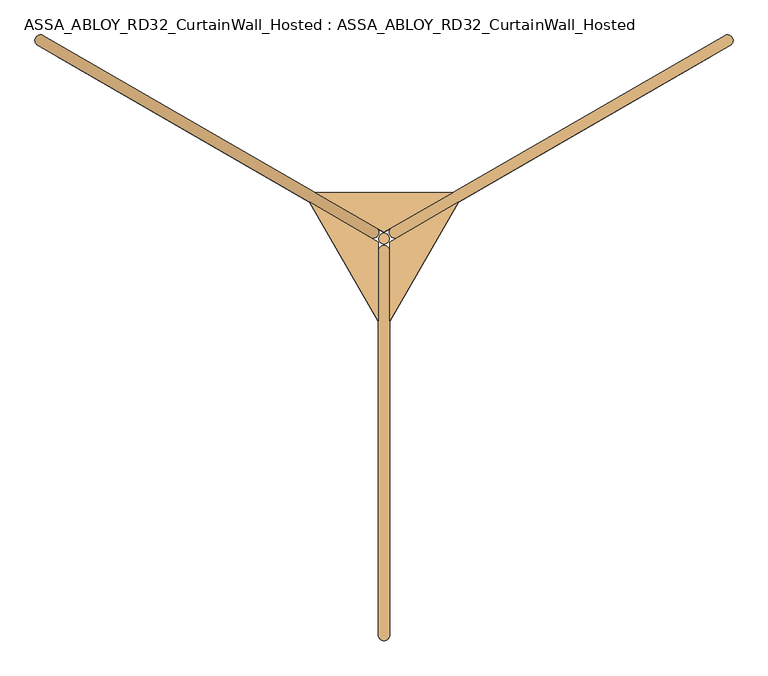
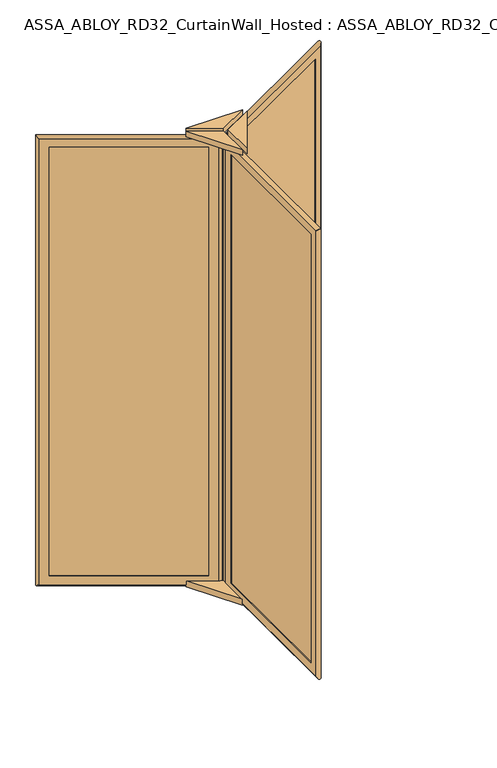
"""IFC4 building model written with IfcOpenShell, lengths in millimetres: door geometry, ASSA_ABLOY_RD32_CurtainWall_Hosted : ASSA_ABLOY_RD32_CurtainWall_Hosted."""

from ifc_helpers import new_model, si_unit, point, frame, origin, origin_with_axes, origin_2d, place, context, project, spatial, polyline, circle_curve, ellipse_curve, trimmed, segment, composite_curve, outline, extrude, source, transform, mapped, element, save
from ifc_brep_helpers import plane_surface, cylinder_surface, advanced_brep


def assa_abloy_rd32_curtainwall_hosted_assa_abloy_rd32_621d37b6(model_context):
    return source(origin(), model_context, "Body", "SolidModel", [
        advanced_brep(
        [(756.0172302, 424.939746, 105.0), (757.5172302, 422.3416698, 105.0), (757.5172302, 422.3416698, 2679.0), (756.0172302, 424.939746, 2679.0), (763.3377382, 452.260254, 85.0), (773.3377382, 434.939746, 85.0), (773.3377382, 434.939746, 2699.0), (763.3377382, 452.260254, 2699.0), (744.5172302, 444.8583302, 105.0), (746.0172302, 442.260254, 105.0), (746.0172302, 442.260254, 2679.0), (744.5172302, 444.8583302, 2679.0), (802.5505512, 448.3416698, 53.0), (789.5505512, 470.8583302, 53.0), (789.5505512, 470.8583302, 2731.0), (802.5505512, 448.3416698, 2731.0), (76.6480577, 29.2416698, 2679.0), (75.1480577, 31.839746, 2679.0), (57.8275496, 21.839746, 2699.0), (47.8275496, 39.160254, 2699.0), (65.1480577, 49.160254, 2679.0), (63.6480577, 51.7583302, 2679.0), (18.6147367, 25.7583302, 2731.0), (31.6147367, 3.2416698, 2731.0), (76.6480577, 29.2416698, 105.0), (75.1480577, 31.839746, 105.0), (57.8275496, 21.839746, 85.0), (47.8275496, 39.160254, 85.0), (65.1480577, 49.160254, 105.0), (63.6480577, 51.7583302, 105.0), (18.6147367, 25.7583302, 53.0), (31.6147367, 3.2416698, 53.0)],
        [
            (0, 1),
            (1, 2),
            (2, 3),
            (3, 0),
            (4, 5),
            (5, 6),
            (6, 7),
            (7, 4),
            (8, 9),
            (9, 10),
            (10, 11),
            (11, 8),
            (12, 13, ellipse_curve(frame((796.0505512, 459.6, 53.0), z_axis=(0.6123724356958007, 0.35355339059326285, 0.7071067811865475), x_axis=(0.6123724356957908, 0.3535533905932797, -0.7071067811865477)), 18.3847763, 13.0)),
            (13, 14),
            (14, 15, ellipse_curve(frame((796.0505512, 459.6, 2731.0), z_axis=(0.612372435695791, 0.3535533905932798, -0.7071067811865475), x_axis=(-0.6123724356958007, -0.3535533905932628, -0.7071067811865476)), 18.3847763, 13.0)),
            (15, 12),
            (2, 16),
            (16, 17),
            (17, 3),
            (6, 18),
            (18, 19),
            (19, 7),
            (10, 20),
            (20, 21),
            (21, 11),
            (14, 22),
            (22, 23, ellipse_curve(frame((25.1147367, 14.5, 2731.0), z_axis=(0.6123724356958007, 0.35355339059326285, 0.7071067811865475), x_axis=(0.6123724356957913, 0.35355339059327995, -0.7071067811865472)), 18.3847763, 13.0)),
            (23, 15),
            (16, 24),
            (24, 25),
            (25, 17),
            (18, 26),
            (26, 27),
            (27, 19),
            (20, 28),
            (28, 29),
            (29, 21),
            (22, 30),
            (30, 31, ellipse_curve(frame((25.1147367, 14.5, 53.0), z_axis=(-0.612372435695791, -0.3535533905932798, 0.7071067811865475), x_axis=(0.6123724356958007, 0.3535533905932628, 0.7071067811865476)), 18.3847763, 13.0)),
            (31, 23),
            (24, 1),
            (0, 25),
            (5, 26),
            (4, 27),
            (9, 28),
            (8, 29),
            (13, 30),
            (12, 31),
        ],
        [
            plane_surface(frame((757.5172302, 422.3416698, 105.0), z_axis=(-0.8660254037844419, -0.49999999999999445, 0.0), x_axis=(0.0, 0.0, 1.0))),
            plane_surface(frame((773.3377382, 434.939746, 85.0), z_axis=(-0.8660254037844408, -0.4999999999999964, 0.0), x_axis=(0.0, 0.0, 1.0))),
            plane_surface(frame((746.0172302, 442.260254, 105.0), z_axis=(-0.8660254037844419, -0.49999999999999445, 0.0), x_axis=(0.0, 0.0, 1.0))),
            cylinder_surface(frame((796.0505512, 459.6, 40.0), z_axis=(0.0, 0.0, -1.0), x_axis=(-0.8660254037844406, -0.4999999999999966, 0.0)), 13.0),
            plane_surface(frame((757.5172302, 422.3416698, 2679.0), z_axis=(0.0, 0.0, -1.0), x_axis=(-0.8660254037844406, -0.4999999999999966, 0.0))),
            plane_surface(frame((773.3377382, 434.939746, 2699.0), z_axis=(0.0, 0.0, -1.0), x_axis=(-0.8660254037844406, -0.4999999999999966, 0.0))),
            plane_surface(frame((746.0172302, 442.260254, 2679.0), z_axis=(0.0, 0.0, -1.0), x_axis=(-0.8660254037844406, -0.4999999999999966, 0.0))),
            cylinder_surface(frame((807.3088814, 466.1, 2731.0), z_axis=(0.8660254037844406, 0.4999999999999966, 0.0), x_axis=(0.0, 0.0, -1.0)), 13.0),
            plane_surface(frame((76.6480577, 29.2416698, 2679.0), z_axis=(0.8660254037844394, 0.49999999999999883, 0.0), x_axis=(0.0, 0.0, -1.0))),
            plane_surface(frame((57.8275496, 21.839746, 2699.0), z_axis=(0.8660254037844405, 0.4999999999999969, 0.0), x_axis=(0.0, 0.0, -1.0))),
            plane_surface(frame((65.1480577, 49.160254, 2679.0), z_axis=(0.8660254037844394, 0.49999999999999883, 0.0), x_axis=(0.0, 0.0, -1.0))),
            cylinder_surface(frame((25.1147367, 14.5, 2744.0), z_axis=(0.0, 0.0, 1.0), x_axis=(0.8660254037844406, 0.4999999999999966, 0.0)), 13.0),
            plane_surface(frame((76.6480577, 29.2416698, 105.0), z_axis=(0.0, 0.0, 1.0), x_axis=(0.8660254037844406, 0.4999999999999966, 0.0))),
            plane_surface(frame((75.1480577, 31.839746, 105.0), z_axis=(-0.4999999999999966, 0.8660254037844406, 0.0), x_axis=(0.8660254037844406, 0.4999999999999966, 0.0))),
            plane_surface(frame((57.8275496, 21.839746, 85.0), z_axis=(0.0, 0.0, 1.0), x_axis=(0.8660254037844406, 0.4999999999999966, 0.0))),
            plane_surface(frame((47.8275496, 39.160254, 85.0), z_axis=(0.4999999999999966, -0.8660254037844406, 0.0), x_axis=(0.8660254037844406, 0.4999999999999966, 0.0))),
            plane_surface(frame((65.1480577, 49.160254, 105.0), z_axis=(0.0, 0.0, 1.0), x_axis=(0.8660254037844406, 0.4999999999999966, 0.0))),
            plane_surface(frame((63.6480577, 51.7583302, 105.0), z_axis=(-0.4999999999999966, 0.8660254037844406, 0.0), x_axis=(0.8660254037844406, 0.4999999999999966, 0.0))),
            cylinder_surface(frame((13.8564065, 8.0, 53.0), z_axis=(-0.8660254037844406, -0.4999999999999966, 0.0), x_axis=(0.0, 0.0, 1.0)), 13.0),
            plane_surface(frame((31.6147367, 3.2416698, 53.0), z_axis=(0.4999999999999966, -0.8660254037844406, 0.0), x_axis=(0.8660254037844406, 0.4999999999999966, 0.0))),
        ],
        [
            (0, [[1, 2, 3, 4]]),
            (1, [[5, 6, 7, 8]]),
            (2, [[9, 10, 11, 12]]),
            (3, [[13, 14, 15, 16]]),
            (4, [[-3, 17, 18, 19]]),
            (5, [[-7, 20, 21, 22]]),
            (6, [[-11, 23, 24, 25]]),
            (7, [[-15, 26, 27, 28]]),
            (8, [[-18, 29, 30, 31]]),
            (9, [[-21, 32, 33, 34]]),
            (10, [[-24, 35, 36, 37]]),
            (11, [[-27, 38, 39, 40]]),
            (12, [[-30, 41, -1, 42]]),
            (13, [[43, -32, -20, -6], [-19, -31, -42, -4]]),
            (14, [[-33, -43, -5, 44]]),
            (15, [[-22, -34, -44, -8], [45, -35, -23, -10]]),
            (16, [[-36, -45, -9, 46]]),
            (17, [[47, -38, -26, -14], [-25, -37, -46, -12]]),
            (18, [[-39, -47, -13, 48]]),
            (19, [[-28, -40, -48, -16], [-41, -29, -17, -2]]),
        ],
    ),
        extrude(outline(polyline([(765.8377382, 447.930127), (770.8377382, 439.269873), (55.3275496, 26.169873), (50.3275496, 34.830127), (765.8377382, 447.930127)])), frame((0.0, 0.0, 85.0), z_axis=(0.0, 0.0, 1.0), x_axis=(1.0, 0.0, 0.0)), (0.0, 0.0, 1.0), 2614.0),
        advanced_brep(
        [(-746.0172302, 442.260254, 105.0), (-744.5172302, 444.8583302, 105.0), (-744.5172302, 444.8583302, 2679.0), (-746.0172302, 442.260254, 2679.0), (-773.3377382, 434.939746, 85.0), (-763.3377382, 452.260254, 85.0), (-763.3377382, 452.260254, 2699.0), (-773.3377382, 434.939746, 2699.0), (-757.5172302, 422.3416698, 105.0), (-756.0172302, 424.939746, 105.0), (-756.0172302, 424.939746, 2679.0), (-757.5172302, 422.3416698, 2679.0), (-789.5505512, 470.8583302, 53.0), (-802.5505512, 448.3416698, 53.0), (-802.5505512, 448.3416698, 2731.0), (-789.5505512, 470.8583302, 2731.0), (-63.6480577, 51.7583302, 2679.0), (-65.1480577, 49.160254, 2679.0), (-47.8275496, 39.160254, 2699.0), (-57.8275496, 21.839746, 2699.0), (-75.1480577, 31.839746, 2679.0), (-76.6480577, 29.2416698, 2679.0), (-31.6147367, 3.2416698, 2731.0), (-18.6147367, 25.7583302, 2731.0), (-63.6480577, 51.7583302, 105.0), (-65.1480577, 49.160254, 105.0), (-47.8275496, 39.160254, 85.0), (-57.8275496, 21.839746, 85.0), (-75.1480577, 31.839746, 105.0), (-76.6480577, 29.2416698, 105.0), (-31.6147367, 3.2416698, 53.0), (-18.6147367, 25.7583302, 53.0)],
        [
            (0, 1),
            (1, 2),
            (2, 3),
            (3, 0),
            (4, 5),
            (5, 6),
            (6, 7),
            (7, 4),
            (8, 9),
            (9, 10),
            (10, 11),
            (11, 8),
            (12, 13, ellipse_curve(frame((-796.0505512, 459.6, 53.0), z_axis=(-0.612372435695792, 0.35355339059327806, 0.7071067811865475), x_axis=(-0.6123724356958017, 0.3535533905932611, -0.7071067811865476)), 18.3847763, 13.0)),
            (13, 14),
            (14, 15, ellipse_curve(frame((-796.0505512, 459.6, 2731.0), z_axis=(-0.6123724356958017, 0.35355339059326113, -0.7071067811865475), x_axis=(0.6123724356957919, -0.353553390593278, -0.7071067811865477)), 18.3847763, 13.0)),
            (15, 12),
            (2, 16),
            (16, 17),
            (17, 3),
            (6, 18),
            (18, 19),
            (19, 7),
            (10, 20),
            (20, 21),
            (21, 11),
            (14, 22),
            (22, 23, ellipse_curve(frame((-25.1147367, 14.5, 2731.0), z_axis=(-0.612372435695792, 0.35355339059327806, 0.7071067811865475), x_axis=(-0.6123724356958017, 0.3535533905932612, -0.7071067811865475)), 18.3847763, 13.0)),
            (23, 15),
            (16, 24),
            (24, 25),
            (25, 17),
            (18, 26),
            (26, 27),
            (27, 19),
            (20, 28),
            (28, 29),
            (29, 21),
            (22, 30),
            (30, 31, ellipse_curve(frame((-25.1147367, 14.5, 53.0), z_axis=(0.6123724356958017, -0.35355339059326113, 0.7071067811865475), x_axis=(-0.6123724356957919, 0.353553390593278, 0.7071067811865477)), 18.3847763, 13.0)),
            (31, 23),
            (24, 1),
            (0, 25),
            (5, 26),
            (4, 27),
            (9, 28),
            (8, 29),
            (13, 30),
            (12, 31),
        ],
        [
            plane_surface(frame((-744.5172302, 444.8583302, 105.0), z_axis=(0.8660254037844408, -0.4999999999999964, 0.0), x_axis=(0.0, 0.0, 1.0))),
            plane_surface(frame((-763.3377382, 452.260254, 85.0), z_axis=(0.8660254037844419, -0.49999999999999445, 0.0), x_axis=(0.0, 0.0, 1.0))),
            plane_surface(frame((-756.0172302, 424.939746, 105.0), z_axis=(0.8660254037844408, -0.4999999999999964, 0.0), x_axis=(0.0, 0.0, 1.0))),
            cylinder_surface(frame((-796.0505512, 459.6, 40.0), z_axis=(0.0, 0.0, -1.0), x_axis=(0.8660254037844415, -0.49999999999999384, 0.0)), 13.0),
            plane_surface(frame((-744.5172302, 444.8583302, 2679.0), z_axis=(0.0, 0.0, -1.0), x_axis=(0.866025403784442, -0.49999999999999417, 0.0))),
            plane_surface(frame((-763.3377382, 452.260254, 2699.0), z_axis=(0.0, 0.0, -1.0), x_axis=(0.866025403784442, -0.49999999999999417, 0.0))),
            plane_surface(frame((-756.0172302, 424.939746, 2679.0), z_axis=(0.0, 0.0, -1.0), x_axis=(0.866025403784442, -0.49999999999999417, 0.0))),
            cylinder_surface(frame((-807.3088814, 466.1, 2731.0), z_axis=(-0.8660254037844415, 0.49999999999999384, 0.0), x_axis=(0.0, 0.0, -1.0)), 13.0),
            plane_surface(frame((-63.6480577, 51.7583302, 2679.0), z_axis=(-0.8660254037844433, 0.49999999999999195, 0.0), x_axis=(0.0, 0.0, -1.0))),
            plane_surface(frame((-47.8275496, 39.160254, 2699.0), z_axis=(-0.8660254037844421, 0.4999999999999939, 0.0), x_axis=(0.0, 0.0, -1.0))),
            plane_surface(frame((-75.1480577, 31.839746, 2679.0), z_axis=(-0.8660254037844433, 0.49999999999999195, 0.0), x_axis=(0.0, 0.0, -1.0))),
            cylinder_surface(frame((-25.1147367, 14.5, 2744.0), z_axis=(0.0, 0.0, 1.0), x_axis=(-0.8660254037844415, 0.49999999999999384, 0.0)), 13.0),
            plane_surface(frame((-63.6480577, 51.7583302, 105.0), z_axis=(0.0, 0.0, 1.0), x_axis=(-0.866025403784442, 0.49999999999999417, 0.0))),
            plane_surface(frame((-65.1480577, 49.160254, 105.0), z_axis=(-0.49999999999999417, -0.866025403784442, 0.0), x_axis=(-0.866025403784442, 0.49999999999999417, 0.0))),
            plane_surface(frame((-47.8275496, 39.160254, 85.0), z_axis=(0.0, 0.0, 1.0), x_axis=(-0.866025403784442, 0.49999999999999417, 0.0))),
            plane_surface(frame((-57.8275496, 21.839746, 85.0), z_axis=(0.49999999999999417, 0.866025403784442, 0.0), x_axis=(-0.866025403784442, 0.49999999999999417, 0.0))),
            plane_surface(frame((-75.1480577, 31.839746, 105.0), z_axis=(0.0, 0.0, 1.0), x_axis=(-0.866025403784442, 0.49999999999999417, 0.0))),
            plane_surface(frame((-76.6480577, 29.2416698, 105.0), z_axis=(-0.49999999999999417, -0.866025403784442, 0.0), x_axis=(-0.866025403784442, 0.49999999999999417, 0.0))),
            cylinder_surface(frame((-13.8564065, 8.0, 53.0), z_axis=(0.8660254037844415, -0.49999999999999384, 0.0), x_axis=(0.0, 0.0, 1.0)), 13.0),
            plane_surface(frame((-18.6147367, 25.7583302, 53.0), z_axis=(0.49999999999999417, 0.866025403784442, 0.0), x_axis=(-0.866025403784442, 0.49999999999999417, 0.0))),
        ],
        [
            (0, [[1, 2, 3, 4]]),
            (1, [[5, 6, 7, 8]]),
            (2, [[9, 10, 11, 12]]),
            (3, [[13, 14, 15, 16]]),
            (4, [[-3, 17, 18, 19]]),
            (5, [[-7, 20, 21, 22]]),
            (6, [[-11, 23, 24, 25]]),
            (7, [[-15, 26, 27, 28]]),
            (8, [[-18, 29, 30, 31]]),
            (9, [[-21, 32, 33, 34]]),
            (10, [[-24, 35, 36, 37]]),
            (11, [[-27, 38, 39, 40]]),
            (12, [[-30, 41, -1, 42]]),
            (13, [[43, -32, -20, -6], [-19, -31, -42, -4]]),
            (14, [[-33, -43, -5, 44]]),
            (15, [[-22, -34, -44, -8], [45, -35, -23, -10]]),
            (16, [[-36, -45, -9, 46]]),
            (17, [[47, -38, -26, -14], [-25, -37, -46, -12]]),
            (18, [[-39, -47, -13, 48]]),
            (19, [[-28, -40, -48, -16], [-41, -29, -17, -2]]),
        ],
    ),
        extrude(outline(polyline([(-770.8377382, 439.269873), (-765.8377382, 447.930127), (-50.3275496, 34.830127), (-55.3275496, 26.169873), (-770.8377382, 439.269873)])), frame((0.0, 0.0, 85.0), z_axis=(0.0, 0.0, 1.0), x_axis=(1.0, 0.0, 0.0)), (0.0, 0.0, 1.0), 2614.0),
        advanced_brep(
        [(-10.0, -867.2, 105.0), (-13.0, -867.2, 105.0), (-13.0, -867.2, 2679.0), (-10.0, -867.2, 2679.0), (10.0, -887.2, 85.0), (-10.0, -887.2, 85.0), (-10.0, -887.2, 2699.0), (10.0, -887.2, 2699.0), (13.0, -867.2, 105.0), (10.0, -867.2, 105.0), (10.0, -867.2, 2679.0), (13.0, -867.2, 2679.0), (-13.0, -919.2, 53.0), (13.0, -919.2, 53.0), (13.0, -919.2, 2731.0), (-13.0, -919.2, 2731.0), (-13.0, -81.0, 2679.0), (-10.0, -81.0, 2679.0), (-10.0, -61.0, 2699.0), (10.0, -61.0, 2699.0), (10.0, -81.0, 2679.0), (13.0, -81.0, 2679.0), (13.0, -29.0, 2731.0), (-13.0, -29.0, 2731.0), (-13.0, -81.0, 105.0), (-10.0, -81.0, 105.0), (-10.0, -61.0, 85.0), (10.0, -61.0, 85.0), (10.0, -81.0, 105.0), (13.0, -81.0, 105.0), (13.0, -29.0, 53.0), (-13.0, -29.0, 53.0)],
        [
            (0, 1),
            (1, 2),
            (2, 3),
            (3, 0),
            (4, 5),
            (5, 6),
            (6, 7),
            (7, 4),
            (8, 9),
            (9, 10),
            (10, 11),
            (11, 8),
            (12, 13, ellipse_curve(frame((0.0, -919.2, 53.0), z_axis=(0.0, -0.7071067811865475, 0.7071067811865475), x_axis=(0.0, -0.7071067811865474, -0.7071067811865476)), 18.3847763, 13.0)),
            (13, 14),
            (14, 15, ellipse_curve(frame((0.0, -919.2, 2731.0), z_axis=(0.0, -0.7071067811865475, -0.7071067811865475), x_axis=(0.0, 0.7071067811865474, -0.7071067811865476)), 18.3847763, 13.0)),
            (15, 12),
            (2, 16),
            (16, 17),
            (17, 3),
            (6, 18),
            (18, 19),
            (19, 7),
            (10, 20),
            (20, 21),
            (21, 11),
            (14, 22),
            (22, 23, ellipse_curve(frame((0.0, -29.0, 2731.0), z_axis=(0.0, -0.7071067811865475, 0.7071067811865475), x_axis=(0.0, -0.7071067811865476, -0.7071067811865474)), 18.3847763, 13.0)),
            (23, 15),
            (16, 24),
            (24, 25),
            (25, 17),
            (18, 26),
            (26, 27),
            (27, 19),
            (20, 28),
            (28, 29),
            (29, 21),
            (22, 30),
            (30, 31, ellipse_curve(frame((0.0, -29.0, 53.0), z_axis=(0.0, 0.7071067811865475, 0.7071067811865475), x_axis=(0.0, -0.7071067811865474, 0.7071067811865476)), 18.3847763, 13.0)),
            (31, 23),
            (24, 1),
            (0, 25),
            (5, 26),
            (4, 27),
            (9, 28),
            (8, 29),
            (13, 30),
            (12, 31),
        ],
        [
            plane_surface(frame((-13.0, -867.2, 105.0), z_axis=(0.0, 1.0, 0.0), x_axis=(0.0, 0.0, 1.0))),
            plane_surface(frame((-10.0, -887.2, 85.0), z_axis=(0.0, 1.0, 0.0), x_axis=(0.0, 0.0, 1.0))),
            plane_surface(frame((10.0, -867.2, 105.0), z_axis=(0.0, 1.0, 0.0), x_axis=(0.0, 0.0, 1.0))),
            cylinder_surface(frame((0.0, -919.2, 40.0), z_axis=(0.0, 0.0, -1.0), x_axis=(0.0, 1.0000000000000009, 0.0)), 13.0),
            plane_surface(frame((-13.0, -867.2, 2679.0), z_axis=(0.0, 0.0, -1.0), x_axis=(0.0, 1.0, 0.0))),
            plane_surface(frame((-10.0, -887.2, 2699.0), z_axis=(0.0, 0.0, -1.0), x_axis=(0.0, 1.0, 0.0))),
            plane_surface(frame((10.0, -867.2, 2679.0), z_axis=(0.0, 0.0, -1.0), x_axis=(0.0, 1.0, 0.0))),
            cylinder_surface(frame((0.0, -932.2, 2731.0), z_axis=(0.0, -1.0000000000000009, 0.0), x_axis=(0.0, 0.0, -1.0)), 13.0),
            plane_surface(frame((-13.0, -81.0, 2679.0), z_axis=(0.0, -1.0, 0.0), x_axis=(0.0, 0.0, -1.0))),
            plane_surface(frame((-10.0, -61.0, 2699.0), z_axis=(0.0, -1.0, 0.0), x_axis=(0.0, 0.0, -1.0))),
            plane_surface(frame((10.0, -81.0, 2679.0), z_axis=(0.0, -1.0, 0.0), x_axis=(0.0, 0.0, -1.0))),
            cylinder_surface(frame((0.0, -29.0, 2744.0), z_axis=(0.0, 0.0, 1.0), x_axis=(0.0, -1.0000000000000009, 0.0)), 13.0),
            plane_surface(frame((-13.0, -81.0, 105.0), z_axis=(0.0, 0.0, 1.0), x_axis=(0.0, -1.0, 0.0))),
            plane_surface(frame((-10.0, -81.0, 105.0), z_axis=(1.0, 0.0, 0.0), x_axis=(0.0, -1.0, 0.0))),
            plane_surface(frame((-10.0, -61.0, 85.0), z_axis=(0.0, 0.0, 1.0), x_axis=(0.0, -1.0, 0.0))),
            plane_surface(frame((10.0, -61.0, 85.0), z_axis=(-1.0, 0.0, 0.0), x_axis=(0.0, -1.0, 0.0))),
            plane_surface(frame((10.0, -81.0, 105.0), z_axis=(0.0, 0.0, 1.0), x_axis=(0.0, -1.0, 0.0))),
            plane_surface(frame((13.0, -81.0, 105.0), z_axis=(1.0, 0.0, 0.0), x_axis=(0.0, -1.0, 0.0))),
            cylinder_surface(frame((0.0, -16.0, 53.0), z_axis=(0.0, 1.0000000000000009, 0.0), x_axis=(0.0, 0.0, 1.0)), 13.0),
            plane_surface(frame((-13.0, -29.0, 53.0), z_axis=(-1.0, 0.0, 0.0), x_axis=(0.0, -1.0, 0.0))),
        ],
        [
            (0, [[1, 2, 3, 4]]),
            (1, [[5, 6, 7, 8]]),
            (2, [[9, 10, 11, 12]]),
            (3, [[13, 14, 15, 16]]),
            (4, [[-3, 17, 18, 19]]),
            (5, [[-7, 20, 21, 22]]),
            (6, [[-11, 23, 24, 25]]),
            (7, [[-15, 26, 27, 28]]),
            (8, [[-18, 29, 30, 31]]),
            (9, [[-21, 32, 33, 34]]),
            (10, [[-24, 35, 36, 37]]),
            (11, [[-27, 38, 39, 40]]),
            (12, [[-30, 41, -1, 42]]),
            (13, [[43, -32, -20, -6], [-19, -31, -42, -4]]),
            (14, [[-33, -43, -5, 44]]),
            (15, [[-22, -34, -44, -8], [45, -35, -23, -10]]),
            (16, [[-36, -45, -9, 46]]),
            (17, [[47, -38, -26, -14], [-25, -37, -46, -12]]),
            (18, [[-39, -47, -13, 48]]),
            (19, [[-28, -40, -48, -16], [-41, -29, -17, -2]]),
        ],
    ),
        extrude(outline(polyline([(5.0, -887.2), (-5.0, -887.2), (-5.0, -61.0), (5.0, -61.0), (5.0, -887.2)])), frame((0.0, 0.0, 85.0), z_axis=(0.0, 0.0, 1.0), x_axis=(1.0, 0.0, 0.0)), (0.0, 0.0, 1.0), 2614.0),
        extrude(outline(polyline([(-13.0, -191.5593903), (-172.3952983, 84.5213649), (-13.0, -7.5055535), (-13.0, -191.5593903)])), frame((0.0, 0.0, 2744.0), z_axis=(0.0, 0.0, 1.0), x_axis=(1.0, 0.0, 0.0)), (0.0, 0.0, 1.0), 31.5),
        extrude(outline(polyline([(-159.3952983, 107.0380254), (159.3952983, 107.0380254), (0.0, 15.011107), (-159.3952983, 107.0380254)])), frame((0.0, 0.0, 2744.0), z_axis=(0.0, 0.0, 1.0), x_axis=(1.0, 0.0, 0.0)), (0.0, 0.0, 1.0), 31.5),
        extrude(outline(polyline([(172.3952983, 84.5213649), (13.0, -191.5593903), (13.0, -7.5055535), (172.3952983, 84.5213649)])), frame((0.0, 0.0, 2744.0), z_axis=(0.0, 0.0, 1.0), x_axis=(1.0, 0.0, 0.0)), (0.0, 0.0, 1.0), 31.5),
        extrude(outline(polyline([(172.3952983, 84.5213649), (13.0, -191.5593903), (13.0, -7.5055535), (172.3952983, 84.5213649)])), frame((0.0, 0.0, 40.0), z_axis=(0.0, 0.0, 1.0), x_axis=(1.0, 0.0, 0.0)), (0.0, 0.0, 1.0), 34.93),
        extrude(outline(polyline([(-13.0, -191.5593903), (-172.3952983, 84.5213649), (-13.0, -7.5055535), (-13.0, -191.5593903)])), frame((0.0, 0.0, 40.0), z_axis=(0.0, 0.0, 1.0), x_axis=(1.0, 0.0, 0.0)), (0.0, 0.0, 1.0), 34.93),
        extrude(outline(polyline([(-159.3952983, 107.0380254), (159.3952983, 107.0380254), (0.0, 15.011107), (-159.3952983, 107.0380254)])), frame((0.0, 0.0, 40.0), z_axis=(0.0, 0.0, 1.0), x_axis=(1.0, 0.0, 0.0)), (0.0, 0.0, 1.0), 34.93),
        extrude(outline(composite_curve([segment(trimmed(circle_curve(origin_2d(), 12.5), [point((12.5, 0.0))], [point((-12.5, 0.0))], False, "CARTESIAN"), True, "CONTINUOUS"), segment(trimmed(circle_curve(origin_2d(), 12.5), [point((-12.5, 0.0))], [point((12.5, 0.0))], False, "CARTESIAN"), True, "CONTINUOUS")], self_intersect=False)), origin_with_axes(), (0.0, 0.0, 1.0), 2728.0),
    ])


if __name__ == "__main__":
    model = new_model("IFC4")
    model_context = context("Model", 3, world=origin())
    ifc_project = project(units=[si_unit("LENGTHUNIT", "METRE", prefix="MILLI")], contexts=[model_context])
    site = spatial("IfcSite", under=ifc_project)
    building = spatial("IfcBuilding", under=site)
    placement = place(None, origin())
    assa_abloy_rd32_curtainwall_hosted_assa_abloy_rd32_shape = assa_abloy_rd32_curtainwall_hosted_assa_abloy_rd32_621d37b6(model_context)
    element("IfcDoor", 1, ObjectType="ASSA_ABLOY_RD32_CurtainWall_Hosted : ASSA_ABLOY_RD32_CurtainWall_Hosted", at=placement, inside=building, context=model_context, shape_type="MappedRepresentation", body=[
        mapped(assa_abloy_rd32_curtainwall_hosted_assa_abloy_rd32_shape, transform((0.0, 0.0, 0.0), x_axis=(1.0, 0.0, 0.0), y_axis=(0.0, 1.0, 0.0), z_axis=(0.0, 0.0, 1.0))),
    ])
    save(model, "model.ifc")
